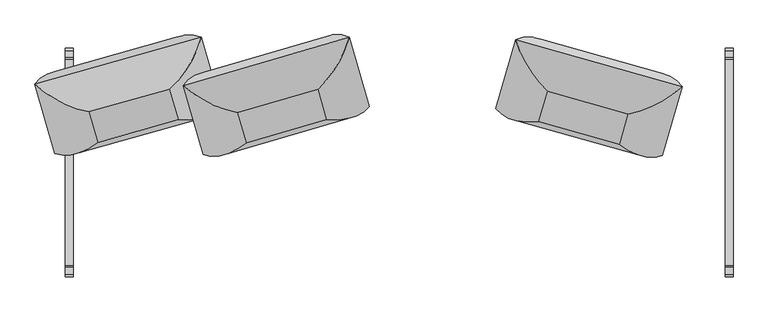
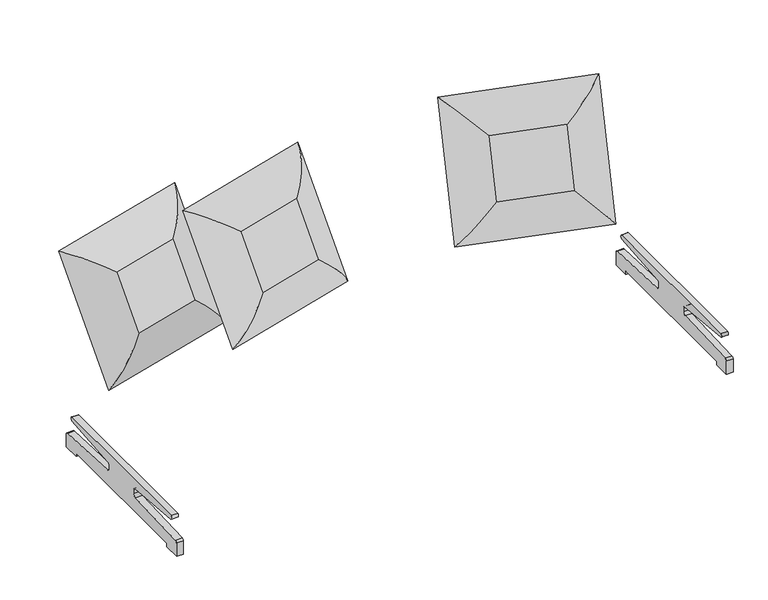
"""IFC4 building model written with IfcOpenShell, lengths in millimetres: furniture geometry."""

from ifc_helpers import new_model, si_unit, point, frame, frame_2d, origin, place, context, project, spatial, polyline, circle_curve, ellipse_curve, trimmed, segment, composite_curve, outline, extrude, source, transform, mapped, element, save
from ifc_brep_helpers import plane_surface, cylinder_surface, advanced_brep


def furniture_9b233076(model_context):
    return source(origin(), model_context, "Body", "SolidModel", [
        advanced_brep(
        [(441.2222633, 107.7690592, 601.3597902), (469.0937368, 204.8689993, 799.6219453), (369.7152598, 368.0360178, 890.9951012), (306.7299298, 148.604786, 442.9525085), (505.8248985, 335.5962192, 730.4339713), (477.953425, 238.4962791, 532.1718162), (725.7891991, 132.4234395, 799.0165788), (896.207024, 219.4475299, 889.7534724), (762.5203608, 263.1506594, 729.8286048), (697.9177256, 35.3234994, 600.7544237), (833.221694, 0.0162981, 441.7108798), (734.6488873, 166.0507193, 531.5664497)],
        [
            (0, 1),
            (1, 2, ellipse_curve(frame((521.7003345, 358.2162176, 706.8116554), z_axis=(-0.7690919029168296, -0.11650348636550059, -0.6284302527189898), x_axis=(0.5919526247079211, -0.500622597143883, -0.6316400124519633)), 263.8641638, 186.5801395)),
            (2, 3),
            (3, 0, ellipse_curve(frame((496.1306484, 269.1353518, 524.923135), z_axis=(-0.5919526247079198, 0.5006225971438834, 0.6316400124519643), x_axis=(-0.7690919029168306, -0.11650348636549968, -0.6284302527189888)), 263.8641638, 186.5801395)),
            (2, 4, ellipse_curve(frame((467.9638549, 183.2227966, 805.0176771), z_axis=(-0.7690919029168296, -0.11650348636550059, -0.6284302527189898), x_axis=(0.5919526247079211, -0.500622597143883, -0.6316400124519633)), 245.7274984, 173.7555804)),
            (4, 5),
            (5, 3, ellipse_curve(frame((441.2897688, 90.2943706, 615.2730698), z_axis=(-0.5919526247079198, 0.5006225971438834, 0.6316400124519643), x_axis=(-0.7690919029168306, -0.11650348636549968, -0.6284302527189888)), 245.7274984, 173.7555804)),
            (1, 6),
            (6, 7, ellipse_curve(frame((760.71008, 290.7619874, 706.2479973), z_axis=(-0.5919526247079208, 0.5006225971438829, 0.6316400124519639), x_axis=(-0.7690919029168299, -0.11650348636549994, -0.6284302527189896)), 263.8641638, 186.5801395)),
            (7, 2),
            (7, 8, ellipse_curve(frame((715.4592257, 113.3737213, 804.4340072), z_axis=(-0.5919526247079208, 0.5006225971438829, 0.6316400124519639), x_axis=(-0.7690919029168299, -0.11650348636549994, -0.6284302527189896)), 245.7274984, 173.7555804)),
            (8, 4),
            (6, 9),
            (9, 10, ellipse_curve(frame((735.1403938, 201.6811216, 524.3594769), z_axis=(0.769091902916831, 0.11650348636549901, 0.6284302527189884), x_axis=(-0.5919526247079193, 0.5006225971438832, 0.6316400124519651)), 263.8641638, 186.5801395)),
            (10, 7),
            (10, 11, ellipse_curve(frame((688.7851395, 20.4452953, 614.6893999), z_axis=(0.769091902916831, 0.11650348636549901, 0.6284302527189884), x_axis=(-0.5919526247079193, 0.5006225971438832, 0.6316400124519651)), 245.7274984, 173.7555804)),
            (11, 8),
            (3, 10),
            (9, 0),
            (5, 11),
        ],
        [
            cylinder_surface(frame((494.9797547, 265.1258147, 516.7363177), z_axis=(-0.1252563848360104, -0.43637403849658074, -0.8910042292739123), x_axis=(0.9624038149803031, -0.2716132280147413, -0.0022696428731658037)), 186.5801395),
            cylinder_surface(frame((440.6910751, 88.2086136, 611.0142959), z_axis=(-0.1252563848360104, -0.43637403849658074, -0.8910042292739123), x_axis=(0.9624038149803031, -0.2716132280147413, -0.0022696428731658037)), 173.7555804),
            cylinder_surface(frame((512.8574761, 360.7118824, 706.8325096), z_axis=(-0.9624038149803031, 0.2716132280147407, 0.0022696428731643573), x_axis=(-0.1252563848360088, -0.43637403849658074, -0.8910042292739123)), 186.5801395),
            cylinder_surface(frame((463.3638091, 184.5210388, 805.0285254), z_axis=(-0.9624038149803031, 0.2716132280147407, 0.0022696428731643573), x_axis=(-0.1252563848360088, -0.43637403849658074, -0.8910042292739123)), 173.7555804),
            cylinder_surface(frame((761.8609737, 294.7715246, 714.4348146), z_axis=(0.12525638483601154, 0.4363740384965801, 0.8910042292739125), x_axis=(-0.9624038149803029, 0.2716132280147419, 0.0022696428731668883)), 186.5801395),
            cylinder_surface(frame((716.0579194, 115.4594783, 808.6927811), z_axis=(0.12525638483601154, 0.4363740384965801, 0.8910042292739125), x_axis=(-0.9624038149803029, 0.2716132280147419, 0.0022696428731668883)), 173.7555804),
            cylinder_surface(frame((743.9832522, 199.1854568, 524.3386227), z_axis=(0.9624038149803026, -0.2716132280147424, -0.00226964287316752), x_axis=(0.12525638483601226, 0.43637403849657946, 0.8910042292739123)), 186.5801395),
            cylinder_surface(frame((693.3851853, 19.147053, 614.6785516), z_axis=(0.9624038149803026, -0.2716132280147424, -0.00226964287316752), x_axis=(0.12525638483601226, 0.43637403849657946, 0.8910042292739123)), 173.7555804),
            plane_surface(frame((697.9177256, 35.3234994, 600.7544237), z_axis=(-0.24101812166136574, -0.8577901566779589, 0.4539893304222359), x_axis=(-0.9624038149803024, 0.2716132280147419, 0.0022696428731668085))),
            plane_surface(frame((734.6488873, 166.0507193, 531.5664497), z_axis=(0.24101812166136574, 0.8577901566779589, -0.4539893304222359), x_axis=(0.9624038149803024, -0.2716132280147419, -0.0022696428731668085))),
        ],
        [
            (0, [[1, 2, 3, 4]]),
            (1, [[5, 6, 7, -3]]),
            (2, [[8, 9, 10, -2]]),
            (3, [[-10, 11, 12, -5]]),
            (4, [[13, 14, 15, -9]]),
            (5, [[-15, 16, 17, -11]]),
            (6, [[18, -14, 19, -4]]),
            (7, [[20, -16, -18, -7]]),
            (8, [[-19, -13, -8, -1]]),
            (9, [[-12, -17, -20, -6]]),
        ],
    ),
        advanced_brep(
        [(-484.3787302, 39.8073159, 601.3597902), (-512.197509, 136.922366, 799.6219453), (-682.9405835, 222.6332759, 890.9951012), (-620.0743358, 3.1678978, 442.9525085), (-550.3225894, 267.2498861, 730.4339713), (-522.5038106, 170.134836, 532.1718162), (-256.1171131, 211.5129174, 799.0165788), (-157.7103431, 375.62122, 889.7534724), (-294.2421935, 341.8404376, 729.8286048), (-228.2983344, 114.3978673, 600.7544237), (-94.8440954, 156.1558419, 441.7108798), (-266.4234148, 244.7253875, 531.5664497)],
        [
            (0, 1),
            (1, 2, ellipse_curve(frame((-548.846229, 294.8454321, 706.8116554), z_axis=(-0.5904894822625376, -0.5063571751292429, -0.6284302527189898), x_axis=(0.767293854735353, -0.1108649410546297, -0.6316400124519633)), 263.8641638, 186.5801395)),
            (2, 3),
            (3, 0, ellipse_curve(frame((-523.3248858, 205.7507041, 524.923135), z_axis=(-0.767293854735352, 0.11086494105463082, 0.6316400124519643), x_axis=(-0.5904894822625392, -0.5063571751292425, -0.6284302527189887)), 263.8641638, 186.5801395)),
            (2, 4, ellipse_curve(frame((-501.6849633, 117.9665988, 805.0176771), z_axis=(-0.5904894822625376, -0.5063571751292429, -0.6284302527189898), x_axis=(0.767293854735353, -0.1108649410546297, -0.6316400124519633)), 245.7274984, 173.7555804)),
            (4, 5),
            (5, 3, ellipse_curve(frame((-475.0613082, 25.023712, 615.2730698), z_axis=(-0.767293854735352, 0.11086494105463082, 0.6316400124519643), x_axis=(-0.5904894822625392, -0.5063571751292425, -0.6284302527189887)), 245.7274984, 173.7555804)),
            (1, 6),
            (6, 7, ellipse_curve(frame((-310.4091734, 364.296869, 706.2479973), z_axis=(-0.7672938547353526, 0.11086494105462981, 0.6316400124519638), x_axis=(-0.5904894822625384, -0.5063571751292425, -0.6284302527189894)), 263.8641638, 186.5801395)),
            (7, 2),
            (7, 8, ellipse_curve(frame((-254.7826147, 189.8837882, 804.4340072), z_axis=(-0.7672938547353526, 0.11086494105462981, 0.6316400124519638), x_axis=(-0.5904894822625384, -0.5063571751292425, -0.6284302527189894)), 245.7274984, 173.7555804)),
            (8, 4),
            (6, 9),
            (9, 10, ellipse_curve(frame((-284.8878302, 275.2021411, 524.3594769), z_axis=(0.5904894822625397, 0.5063571751292423, 0.6284302527189884), x_axis=(-0.7672938547353516, 0.11086494105463092, 0.6316400124519651)), 263.8641638, 186.5801395)),
            (10, 7),
            (10, 11, ellipse_curve(frame((-228.1589596, 96.9409014, 614.6893999), z_axis=(0.5904894822625397, 0.5063571751292423, 0.6284302527189884), x_axis=(-0.7672938547353516, 0.11086494105463092, 0.6316400124519651)), 245.7274984, 173.7555804)),
            (11, 8),
            (3, 10),
            (9, 0),
            (5, 11),
        ],
        [
            cylinder_surface(frame((-522.176168, 201.7405431, 516.7363177), z_axis=(0.12501957071895922, -0.4364419438519278, -0.8910042292739123), x_axis=(0.9600978049733087, 0.27965524062077635, -0.0022696428731658037)), 186.5801395),
            cylinder_surface(frame((-474.4637464, 22.9376303, 611.0142959), z_axis=(0.12501957071895922, -0.4364419438519278, -0.8910042292739123), x_axis=(0.9600978049733087, 0.27965524062077635, -0.0022696428731658037)), 173.7555804),
            cylinder_surface(frame((-557.6678991, 292.2758748, 706.8325096), z_axis=(-0.9600978049733084, -0.27965524062077685, 0.0022696428731643573), x_axis=(0.1250195707189606, -0.436441943851927, -0.8910042292739123)), 186.5801395),
            cylinder_surface(frame((-506.273987, 116.6299178, 805.0285254), z_axis=(-0.9600978049733084, -0.27965524062077685, 0.0022696428731643573), x_axis=(0.1250195707189606, -0.436441943851927, -0.8910042292739123)), 173.7555804),
            cylinder_surface(frame((-311.5578911, 368.3070301, 714.4348146), z_axis=(-0.1250195707189579, 0.4364419438519278, 0.8910042292739125), x_axis=(-0.9600978049733089, -0.2796552406207757, 0.0022696428731668883)), 186.5801395),
            cylinder_surface(frame((-255.3801765, 191.9698699, 808.6927811), z_axis=(-0.1250195707189579, 0.4364419438519278, 0.8910042292739125), x_axis=(-0.9600978049733089, -0.2796552406207757, 0.0022696428731668883)), 173.7555804),
            cylinder_surface(frame((-276.0661601, 277.7716983, 524.3386227), z_axis=(0.9600978049733089, 0.27965524062077496, -0.00226964287316752), x_axis=(-0.125019570718957, 0.43644194385192775, 0.8910042292739123)), 186.5801395),
            cylinder_surface(frame((-223.5699359, 98.2775824, 614.6785516), z_axis=(0.9600978049733089, 0.27965524062077496, -0.00226964287316752), x_axis=(-0.125019570718957, 0.43644194385192775, 0.8910042292739123)), 173.7555804),
            plane_surface(frame((-228.2983344, 114.3978673, 600.7544237), z_axis=(0.25016456947913895, -0.8551674549701285, 0.45398933042223577), x_axis=(-0.9600978049733081, -0.27965524062077535, 0.002269642873166808))),
            plane_surface(frame((-266.4234148, 244.7253875, 531.5664497), z_axis=(-0.25016456947913895, 0.8551674549701285, -0.45398933042223577), x_axis=(0.9600978049733081, 0.27965524062077535, -0.002269642873166808))),
        ],
        [
            (0, [[1, 2, 3, 4]]),
            (1, [[5, 6, 7, -3]]),
            (2, [[8, 9, 10, -2]]),
            (3, [[-10, 11, 12, -5]]),
            (4, [[13, 14, 15, -9]]),
            (5, [[-15, 16, 17, -11]]),
            (6, [[18, -14, 19, -4]]),
            (7, [[20, -16, -18, -7]]),
            (8, [[-19, -13, -8, -1]]),
            (9, [[-12, -17, -20, -6]]),
        ],
    ),
        advanced_brep(
        [(-697.7315147, 114.477322, 601.3597902), (-563.2391813, 155.3130488, 442.9525085), (-626.2245113, 374.7442806, 890.9951012), (-725.6029882, 211.5772621, 799.6219453), (-734.4626764, 245.2045419, 532.1718162), (-762.33415, 342.304482, 730.4339713), (-1152.7162754, 226.1557927, 889.7534724), (-982.2984505, 139.1317023, 799.0165788), (-1019.0296123, 269.8589222, 729.8286048), (-1089.7309454, 6.7245609, 441.7108798), (-954.426977, 42.0317622, 600.7544237), (-991.1581387, 172.7589821, 531.5664497)],
        [
            (0, 1, ellipse_curve(frame((-752.6398998, 275.8436146, 524.923135), z_axis=(0.5919526247079198, 0.5006225971438834, 0.6316400124519643), x_axis=(0.7690919029168306, -0.11650348636549968, -0.6284302527189888)), 263.8641638, 186.5801395)),
            (1, 2),
            (2, 3, ellipse_curve(frame((-778.2095859, 364.9244804, 706.8116554), z_axis=(0.7690919029168296, -0.11650348636550059, -0.6284302527189898), x_axis=(-0.5919526247079211, -0.500622597143883, -0.6316400124519633)), 263.8641638, 186.5801395)),
            (3, 0),
            (1, 4, ellipse_curve(frame((-697.7990202, 97.0026334, 615.2730698), z_axis=(0.5919526247079198, 0.5006225971438834, 0.6316400124519643), x_axis=(0.7690919029168306, -0.11650348636549968, -0.6284302527189888)), 245.7274984, 173.7555804)),
            (4, 5),
            (5, 2, ellipse_curve(frame((-724.4731063, 189.9310594, 805.0176771), z_axis=(0.7690919029168296, -0.11650348636550059, -0.6284302527189898), x_axis=(-0.5919526247079211, -0.500622597143883, -0.6316400124519633)), 245.7274984, 173.7555804)),
            (2, 6),
            (6, 7, ellipse_curve(frame((-1017.2193314, 297.4702502, 706.2479973), z_axis=(0.5919526247079208, 0.5006225971438829, 0.6316400124519639), x_axis=(0.7690919029168299, -0.11650348636549994, -0.6284302527189896)), 263.8641638, 186.5801395)),
            (7, 3),
            (5, 8),
            (8, 6, ellipse_curve(frame((-971.9684771, 120.0819841, 804.4340072), z_axis=(0.5919526247079208, 0.5006225971438829, 0.6316400124519639), x_axis=(0.7690919029168299, -0.11650348636549994, -0.6284302527189896)), 245.7274984, 173.7555804)),
            (6, 9),
            (9, 10, ellipse_curve(frame((-991.6496452, 208.3893844, 524.3594769), z_axis=(-0.769091902916831, 0.11650348636549901, 0.6284302527189884), x_axis=(0.5919526247079193, 0.5006225971438832, 0.6316400124519651)), 263.8641638, 186.5801395)),
            (10, 7),
            (8, 11),
            (11, 9, ellipse_curve(frame((-945.294391, 27.1535581, 614.6893999), z_axis=(-0.769091902916831, 0.11650348636549901, 0.6284302527189884), x_axis=(0.5919526247079193, 0.5006225971438832, 0.6316400124519651)), 245.7274984, 173.7555804)),
            (0, 10),
            (9, 1),
            (11, 4),
        ],
        [
            cylinder_surface(frame((-751.4890061, 271.8340775, 516.7363177), z_axis=(0.1252563848360104, -0.43637403849658074, -0.8910042292739123), x_axis=(-0.9624038149803031, -0.2716132280147413, -0.0022696428731658037)), 186.5801395),
            cylinder_surface(frame((-697.2003265, 94.9168763, 611.0142959), z_axis=(0.1252563848360104, -0.43637403849658074, -0.8910042292739123), x_axis=(-0.9624038149803031, -0.2716132280147413, -0.0022696428731658037)), 173.7555804),
            cylinder_surface(frame((-769.3667275, 367.4201452, 706.8325096), z_axis=(0.9624038149803031, 0.2716132280147407, 0.0022696428731643573), x_axis=(0.1252563848360088, -0.43637403849658074, -0.8910042292739123)), 186.5801395),
            cylinder_surface(frame((-719.8730606, 191.2293016, 805.0285254), z_axis=(0.9624038149803031, 0.2716132280147407, 0.0022696428731643573), x_axis=(0.1252563848360088, -0.43637403849658074, -0.8910042292739123)), 173.7555804),
            cylinder_surface(frame((-1018.3702251, 301.4797874, 714.4348146), z_axis=(-0.12525638483601154, 0.4363740384965801, 0.8910042292739125), x_axis=(0.9624038149803029, 0.2716132280147419, 0.0022696428731668883)), 186.5801395),
            cylinder_surface(frame((-972.5671708, 122.1677411, 808.6927811), z_axis=(-0.12525638483601154, 0.4363740384965801, 0.8910042292739125), x_axis=(0.9624038149803029, 0.2716132280147419, 0.0022696428731668883)), 173.7555804),
            cylinder_surface(frame((-1000.4925037, 205.8937196, 524.3386227), z_axis=(-0.9624038149803026, -0.2716132280147424, -0.00226964287316752), x_axis=(-0.12525638483601226, 0.43637403849657946, 0.8910042292739123)), 186.5801395),
            cylinder_surface(frame((-949.8944367, 25.8553158, 614.6785516), z_axis=(-0.9624038149803026, -0.2716132280147424, -0.00226964287316752), x_axis=(-0.12525638483601226, 0.43637403849657946, 0.8910042292739123)), 173.7555804),
            plane_surface(frame((-954.426977, 42.0317622, 600.7544237), z_axis=(0.24101812166136574, -0.8577901566779589, 0.4539893304222359), x_axis=(0.9624038149803024, 0.2716132280147419, 0.0022696428731668085))),
            plane_surface(frame((-991.1581387, 172.7589821, 531.5664497), z_axis=(-0.24101812166136574, 0.8577901566779589, -0.4539893304222359), x_axis=(-0.9624038149803024, -0.2716132280147419, -0.0022696428731668085))),
        ],
        [
            (0, [[1, 2, 3, 4]]),
            (1, [[-2, 5, 6, 7]]),
            (2, [[-3, 8, 9, 10]]),
            (3, [[-7, 11, 12, -8]]),
            (4, [[-9, 13, 14, 15]]),
            (5, [[-12, 16, 17, -13]]),
            (6, [[-1, 18, -14, 19]]),
            (7, [[-5, -19, -17, 20]]),
            (8, [[-4, -10, -15, -18]]),
            (9, [[-6, -20, -16, -11]]),
        ],
    ),
        extrude(outline(composite_curve([segment(trimmed(circle_curve(frame_2d((301.6025981, 135.0287131)), 8.2813281), [point((305.0998594, 142.5353474))], [point((304.4846526, 127.2650698))], False, "CARTESIAN"), True, "CONTINUOUS"), segment(polyline([(304.4846526, 127.2650698), (67.9746703, 105.9960919)]), True, "CONTINUOUS"), segment(trimmed(circle_curve(frame_2d((67.9746703, 97.554557)), 8.4415349), [point((67.9746703, 105.9960919))], [point((59.5331354, 97.554557))], True, "CARTESIAN"), True, "CONTINUOUS"), segment(polyline([(59.5331354, 97.554557), (59.5331354, 81.9730579)]), True, "CONTINUOUS"), segment(trimmed(circle_curve(frame_2d((70.0389157, 81.9730579)), 10.5057802), [point((59.5331354, 81.9730579))], [point((70.0389157, 71.4672776))], True, "CARTESIAN"), True, "CONTINUOUS"), segment(polyline([(70.0389157, 71.4672776), (333.1747619, 60.2417308)]), True, "CONTINUOUS"), segment(trimmed(circle_curve(frame_2d((332.8044735, 51.5618743)), 8.6877512), [point((333.1747619, 60.2417308))], [point((341.2881636, 53.4337784))], False, "CARTESIAN"), True, "CONTINUOUS"), segment(polyline([(341.2881636, 53.4337784), (341.2881636, 0.0), (277.6339056, 0.0), (277.6339056, 13.4697401), (-320.5207421, 13.4697401), (-320.5207421, 0.0), (-384.175, 0.0), (-384.175, 53.4337784)]), True, "CONTINUOUS"), segment(trimmed(circle_curve(frame_2d((-375.69131, 51.5618743)), 8.6877512), [point((-384.175, 53.4337784))], [point((-376.0615983, 60.2417308))], False, "CARTESIAN"), True, "CONTINUOUS"), segment(polyline([(-376.0615983, 60.2417308), (-112.9257521, 71.4672776)]), True, "CONTINUOUS"), segment(trimmed(circle_curve(frame_2d((-112.9257521, 81.9730579)), 10.5057802), [point((-112.9257521, 71.4672776))], [point((-102.4199718, 81.9730579))], True, "CARTESIAN"), True, "CONTINUOUS"), segment(polyline([(-102.4199718, 81.9730579), (-102.4199718, 97.554557)]), True, "CONTINUOUS"), segment(trimmed(circle_curve(frame_2d((-110.8615067, 97.554557)), 8.4415349), [point((-102.4199718, 97.554557))], [point((-110.8615067, 105.9960919))], True, "CARTESIAN"), True, "CONTINUOUS"), segment(polyline([(-110.8615067, 105.9960919), (-347.371489, 127.2650698)]), True, "CONTINUOUS"), segment(trimmed(circle_curve(frame_2d((-344.4894345, 135.0287131)), 8.2813281), [point((-347.371489, 127.2650698))], [point((-347.9866958, 142.5353474))], False, "CARTESIAN"), True, "CONTINUOUS"), segment(polyline([(-347.9866958, 142.5353474), (305.0998594, 142.5353474)]), True, "CONTINUOUS")], self_intersect=False)), frame((1031.875, 0.0, 0.0), z_axis=(1.0, 0.0, 0.0), x_axis=(0.0, 1.0, 0.0)), (0.0, 0.0, 1.0), 25.4),
        extrude(outline(composite_curve([segment(trimmed(circle_curve(frame_2d((301.6025981, 135.0287131)), 8.2813281), [point((305.0998594, 142.5353474))], [point((304.4846526, 127.2650698))], False, "CARTESIAN"), True, "CONTINUOUS"), segment(polyline([(304.4846526, 127.2650698), (67.9746703, 105.9960919)]), True, "CONTINUOUS"), segment(trimmed(circle_curve(frame_2d((67.9746703, 97.554557)), 8.4415349), [point((67.9746703, 105.9960919))], [point((59.5331354, 97.554557))], True, "CARTESIAN"), True, "CONTINUOUS"), segment(polyline([(59.5331354, 97.554557), (59.5331354, 81.9730579)]), True, "CONTINUOUS"), segment(trimmed(circle_curve(frame_2d((70.0389157, 81.9730579)), 10.5057802), [point((59.5331354, 81.9730579))], [point((70.0389157, 71.4672776))], True, "CARTESIAN"), True, "CONTINUOUS"), segment(polyline([(70.0389157, 71.4672776), (333.1747619, 60.2417308)]), True, "CONTINUOUS"), segment(trimmed(circle_curve(frame_2d((332.8044735, 51.5618743)), 8.6877512), [point((333.1747619, 60.2417308))], [point((341.2881636, 53.4337784))], False, "CARTESIAN"), True, "CONTINUOUS"), segment(polyline([(341.2881636, 53.4337784), (341.2881636, 0.0), (277.6339056, 0.0), (277.6339056, 13.4697401), (-320.5207421, 13.4697401), (-320.5207421, 0.0), (-384.175, 0.0), (-384.175, 53.4337784)]), True, "CONTINUOUS"), segment(trimmed(circle_curve(frame_2d((-375.69131, 51.5618743)), 8.6877512), [point((-384.175, 53.4337784))], [point((-376.0615983, 60.2417308))], False, "CARTESIAN"), True, "CONTINUOUS"), segment(polyline([(-376.0615983, 60.2417308), (-112.9257521, 71.4672776)]), True, "CONTINUOUS"), segment(trimmed(circle_curve(frame_2d((-112.9257521, 81.9730579)), 10.5057802), [point((-112.9257521, 71.4672776))], [point((-102.4199718, 81.9730579))], True, "CARTESIAN"), True, "CONTINUOUS"), segment(polyline([(-102.4199718, 81.9730579), (-102.4199718, 97.554557)]), True, "CONTINUOUS"), segment(trimmed(circle_curve(frame_2d((-110.8615067, 97.554557)), 8.4415349), [point((-102.4199718, 97.554557))], [point((-110.8615067, 105.9960919))], True, "CARTESIAN"), True, "CONTINUOUS"), segment(polyline([(-110.8615067, 105.9960919), (-347.371489, 127.2650698)]), True, "CONTINUOUS"), segment(trimmed(circle_curve(frame_2d((-344.4894345, 135.0287131)), 8.2813281), [point((-347.371489, 127.2650698))], [point((-347.9866958, 142.5353474))], False, "CARTESIAN"), True, "CONTINUOUS"), segment(polyline([(-347.9866958, 142.5353474), (305.0998594, 142.5353474)]), True, "CONTINUOUS")], self_intersect=False)), frame((-1057.275, 0.0, 0.0), z_axis=(1.0, 0.0, 0.0), x_axis=(0.0, 1.0, 0.0)), (0.0, 0.0, 1.0), 25.4),
    ])


if __name__ == "__main__":
    model = new_model("IFC4")
    model_context = context("Model", 3, world=origin())
    ifc_project = project(units=[si_unit("LENGTHUNIT", "METRE", prefix="MILLI")], contexts=[model_context])
    site = spatial("IfcSite", under=ifc_project)
    building = spatial("IfcBuilding", under=site)
    placement = place(None, origin())
    furniture_shape = furniture_9b233076(model_context)
    element("IfcFurniture", 1, at=placement, inside=building, context=model_context, shape_type="MappedRepresentation", body=[
        mapped(furniture_shape, transform((0.0, 0.0, 0.0), x_axis=(1.0, 0.0, 0.0), y_axis=(0.0, 1.0, 0.0), z_axis=(0.0, 0.0, 1.0))),
    ])
    save(model, "model.ifc")
